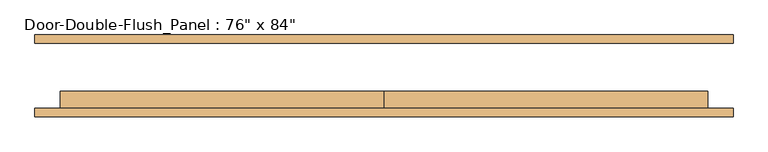
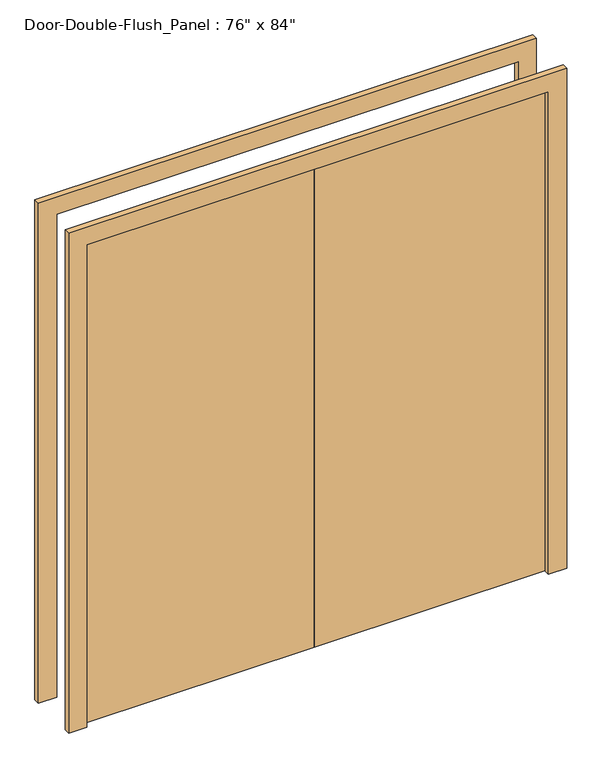
"""IFC4 building model written with IfcOpenShell, lengths in millimetres: door geometry."""

from ifc_helpers import new_model, si_unit, frame, origin, origin_with_axes, place, context, project, spatial, polyline, outline, extrude, source, transform, mapped, element, save


def door_358c9905(model_context):
    return source(origin(), model_context, "Body", "SweptSolid", [
        extrude(outline(polyline([(2133.6, -965.2), (2133.6, 965.2), (0.0, 965.2), (0.0, 1041.4), (2209.8, 1041.4), (2209.8, -1041.4), (0.0, -1041.4), (0.0, -965.2), (2133.6, -965.2)])), frame((0.0, 96.8375, 0.0), z_axis=(0.0, 1.0, 0.0), x_axis=(0.0, 0.0, 1.0)), (0.0, 0.0, 1.0), 25.4),
        extrude(outline(polyline([(2133.6, -965.2), (2133.6, 965.2), (0.0, 965.2), (0.0, 1041.4), (2209.8, 1041.4), (2209.8, -1041.4), (0.0, -1041.4), (0.0, -965.2), (2133.6, -965.2)])), frame((0.0, -122.2375, 0.0), z_axis=(0.0, 1.0, 0.0), x_axis=(0.0, 0.0, 1.0)), (0.0, 0.0, 1.0), 25.4),
        extrude(outline(polyline([(0.0, -96.8375), (0.0, -46.0375), (965.2, -46.0375), (965.2, -96.8375), (0.0, -96.8375)])), origin_with_axes(), (0.0, 0.0, 1.0), 2133.6),
        extrude(outline(polyline([(-965.2, -96.8375), (-965.2, -46.0375), (0.0, -46.0375), (0.0, -96.8375), (-965.2, -96.8375)])), origin_with_axes(), (0.0, 0.0, 1.0), 2133.6),
    ])


if __name__ == "__main__":
    model = new_model("IFC4")
    model_context = context("Model", 3, world=origin())
    ifc_project = project(units=[si_unit("LENGTHUNIT", "METRE", prefix="MILLI")], contexts=[model_context])
    site = spatial("IfcSite", under=ifc_project)
    building = spatial("IfcBuilding", under=site)
    placement = place(None, origin())
    door_shape = door_358c9905(model_context)
    element("IfcDoor", 1, ObjectType="Door-Double-Flush_Panel : 76\" x 84\"", at=placement, inside=building, context=model_context, shape_type="MappedRepresentation", body=[
        mapped(door_shape, transform((0.0, 0.0, 0.0), x_axis=(1.0, 0.0, 0.0), y_axis=(0.0, 1.0, 0.0), z_axis=(0.0, 0.0, 1.0))),
    ])
    save(model, "model.ifc")
